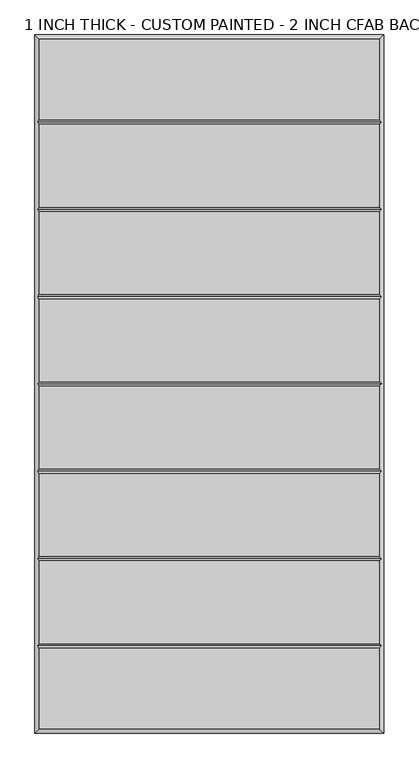
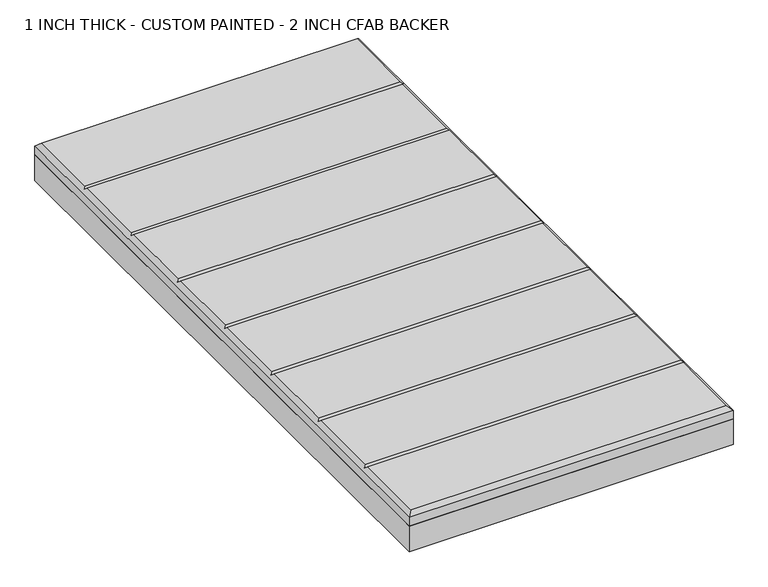
"""IFC4 building model written with IfcOpenShell, lengths in millimetres: proxy geometry, 1 INCH THICK - CUSTOM PAINTED - 2 INCH CFAB BACKER."""

from ifc_helpers import new_model, si_unit, frame, origin, place, context, project, spatial, polyline, outline, extrude, faceted_brep, source, transform, mapped, element, save


def proxy_1_inch_thick_custom_painted_2_inch_cfab_backer_a9358f3b(model_context):
    return source(origin(), model_context, "Body", "SolidModel", [
        extrude(outline(polyline([(-304.8, 609.6), (304.8, 609.6), (304.8, -609.6), (-304.8, -609.6), (-304.8, 609.6)])), frame((0.0, 0.0, -50.8), z_axis=(0.0, 0.0, 1.0), x_axis=(1.0, 0.0, 0.0)), (0.0, 0.0, 1.0), 50.8),
        faceted_brep([(296.799, 601.599, 25.4), (-296.799, 601.599, 25.4), (-296.799, 461.2005254, 25.4), (296.799, 461.2005254, 25.4), (-296.799, -601.599, 25.4), (296.799, -601.599, 25.4), (296.799, -461.2004746, 25.4), (-296.799, -461.2004746, 25.4), (296.799, 453.1995254, 25.4), (-296.799, 453.1995254, 25.4), (-296.799, 308.8005254, 25.4), (296.799, 308.8005254, 25.4), (296.799, -308.8005, 25.4), (-296.799, -308.8005, 25.4), (-296.799, -453.1994746, 25.4), (296.799, -453.1994746, 25.4), (-296.799, -300.7995, 25.4), (296.799, -300.7995, 25.4), (296.799, -156.4004746, 25.4), (-296.799, -156.4004746, 25.4), (296.799, 300.7995254, 25.4), (-296.799, 300.7995254, 25.4), (-296.799, 156.4005254, 25.4), (296.799, 156.4005254, 25.4), (296.799, 148.3995254, 25.4), (-296.799, 148.3995254, 25.4), (-296.799, 4.0005254, 25.4), (296.799, 4.0005254, 25.4), (296.799, -4.0004746, 25.4), (-296.799, -4.0004746, 25.4), (-296.799, -148.3994746, 25.4), (296.799, -148.3994746, 25.4), (-304.8, 609.6, 0.0), (304.8, 609.6, 0.0), (304.8, -609.6, 0.0), (-304.8, -609.6, 0.0), (-304.8, -609.6, 17.399), (-304.8, 609.6, 17.399), (304.8, -609.6, 17.399), (304.8, 609.6, 17.399), (-300.7995, -457.1999746, 21.3995), (-300.7995, -304.8, 21.3995), (-300.7995, -152.3999746, 21.3995), (-300.7995, 2.54e-05, 21.3995), (-300.7995, 152.4000254, 21.3995), (-300.7995, 304.8000254, 21.3995), (-300.7995, 457.2000254, 21.3995), (300.7995, 457.2000254, 21.3995), (300.7995, 304.8000254, 21.3995), (300.7995, 152.4000254, 21.3995), (300.7995, 2.54e-05, 21.3995), (300.7995, -152.3999746, 21.3995), (300.7995, -304.8, 21.3995), (300.7995, -457.1999746, 21.3995)], [[[0, 1, 2, 3]], [[4, 5, 6, 7]], [[8, 9, 10, 11]], [[12, 13, 14, 15]], [[16, 17, 18, 19]], [[20, 21, 22, 23]], [[24, 25, 26, 27]], [[28, 29, 30, 31]], [[32, 33, 34, 35]], [[32, 35, 36, 37]], [[35, 34, 38, 36]], [[34, 33, 39, 38]], [[33, 32, 37, 39]], [[37, 1, 0, 39]], [[1, 37, 36, 4, 7, 40, 14, 13, 41, 16, 19, 42, 30, 29, 43, 26, 25, 44, 22, 21, 45, 10, 9, 46, 2]], [[4, 36, 38, 5]], [[39, 0, 3, 47, 8, 11, 48, 20, 23, 49, 24, 27, 50, 28, 31, 51, 18, 17, 52, 12, 15, 53, 6, 5, 38]], [[47, 46, 9, 8]], [[46, 47, 3, 2]], [[52, 41, 13, 12]], [[41, 52, 17, 16]], [[53, 40, 7, 6]], [[40, 53, 15, 14]], [[48, 45, 21, 20]], [[45, 48, 11, 10]], [[49, 44, 25, 24]], [[44, 49, 23, 22]], [[50, 43, 29, 28]], [[43, 50, 27, 26]], [[51, 42, 19, 18]], [[42, 51, 31, 30]]]),
    ])


if __name__ == "__main__":
    model = new_model("IFC4")
    model_context = context("Model", 3, world=origin())
    ifc_project = project(units=[si_unit("LENGTHUNIT", "METRE", prefix="MILLI")], contexts=[model_context])
    site = spatial("IfcSite", under=ifc_project)
    building = spatial("IfcBuilding", under=site)
    placement = place(None, origin())
    proxy_1_inch_thick_custom_painted_2_inch_cfab_backer_shape = proxy_1_inch_thick_custom_painted_2_inch_cfab_backer_a9358f3b(model_context)
    element("IfcBuildingElementProxy", 1, Name="1 INCH THICK - CUSTOM PAINTED - 2 INCH CFAB BACKER", ObjectType="1 INCH THICK - CUSTOM PAINTED - 2 INCH CFAB BACKER", at=placement, inside=building, context=model_context, shape_type="MappedRepresentation", body=[
        mapped(proxy_1_inch_thick_custom_painted_2_inch_cfab_backer_shape, transform((0.0, 0.0, 0.0), x_axis=(1.0, 0.0, 0.0), y_axis=(0.0, 1.0, 0.0), z_axis=(0.0, 0.0, 1.0))),
    ])
    save(model, "model.ifc")
